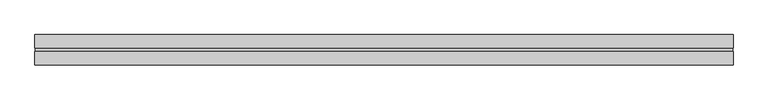
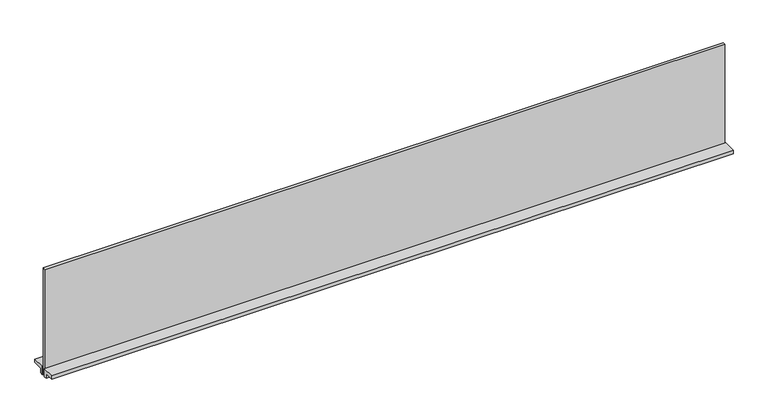
"""IFC4 building model written with IfcOpenShell, lengths in millimetres: furniture geometry."""

from ifc_helpers import new_model, si_unit, frame, origin, place, context, project, spatial, polyline, outline, extrude, source, transform, mapped, element, save


def furniture_5b8c77df(model_context):
    return source(origin(), model_context, "Body", "SweptSolid", [
        extrude(outline(polyline([(12.9619352, 1048.766), (12.9619352, 1035.177), (4.8339366, 1035.177), (4.8339366, 1058.291), (39.4795359, 1058.291), (39.4795359, 1048.766), (12.9619352, 1048.766)])), frame((-913.384, 0.0, 0.0), z_axis=(1.0, 0.0, 0.0), x_axis=(0.0, 1.0, 0.0)), (0.0, 0.0, 1.0), 1826.7680009),
        extrude(outline(polyline([(-12.9714633, 1035.177), (-12.9714633, 1048.766), (-39.4890627, 1048.766), (-39.4890627, 1058.291), (-4.8434625, 1058.291), (-4.8434625, 1035.177), (-12.9714633, 1035.177)])), frame((-913.384, 0.0, 0.0), z_axis=(1.0, 0.0, 0.0), x_axis=(0.0, 1.0, 0.0)), (0.0, 0.0, 1.0), 1826.7680009),
        extrude(outline(polyline([(911.987001, 3.652836), (911.987001, -3.662364), (-911.987, -3.662364), (-911.987, 3.652836), (911.987001, 3.652836)])), frame((0.0, 0.0, 1035.177), z_axis=(0.0, 0.0, 1.0), x_axis=(1.0, 0.0, 0.0)), (0.0, 0.0, 1.0), 302.514),
    ])


if __name__ == "__main__":
    model = new_model("IFC4")
    model_context = context("Model", 3, world=origin())
    ifc_project = project(units=[si_unit("LENGTHUNIT", "METRE", prefix="MILLI")], contexts=[model_context])
    site = spatial("IfcSite", under=ifc_project)
    building = spatial("IfcBuilding", under=site)
    placement = place(None, origin())
    furniture_shape = furniture_5b8c77df(model_context)
    element("IfcFurniture", 1, at=placement, inside=building, context=model_context, shape_type="MappedRepresentation", body=[
        mapped(furniture_shape, transform((0.0, 0.0, 0.0), x_axis=(1.0, 0.0, 0.0), y_axis=(0.0, 1.0, 0.0), z_axis=(0.0, 0.0, 1.0))),
    ])
    save(model, "model.ifc")
